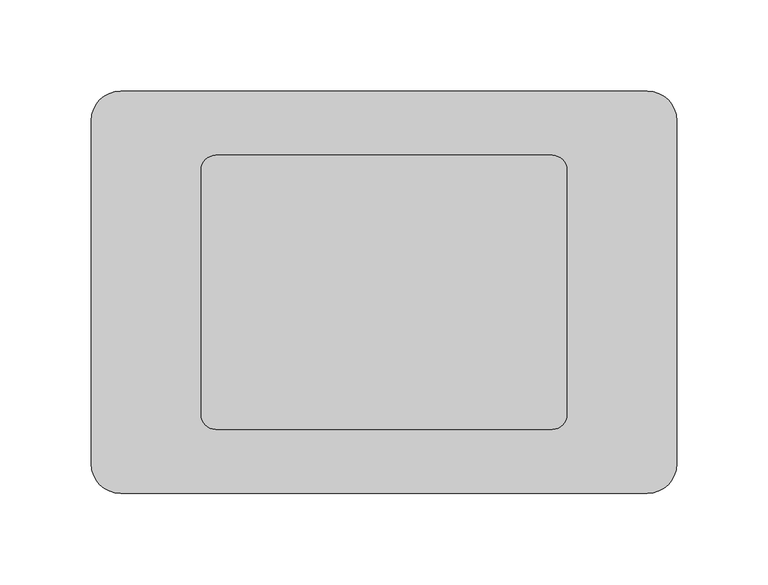
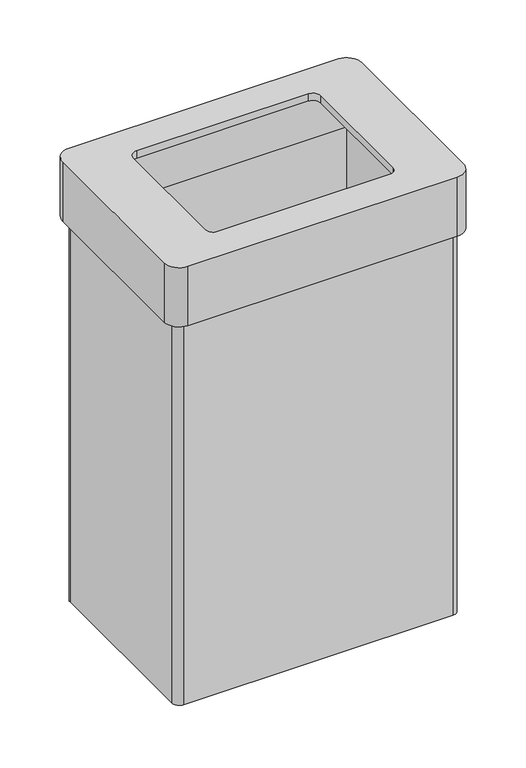
"""IFC4 building model written with IfcOpenShell, lengths in millimetres: furniture geometry."""

from ifc_helpers import new_model, si_unit, frame, origin, place, context, project, spatial, polyline, circle_curve, source, transform, mapped, element, save
from ifc_brep_helpers import plane_surface, cylinder_surface, revolved_surface, advanced_brep


def furniture_07c284a4(model_context):
    return source(origin(), model_context, "Body", "AdvancedBrep", [
        advanced_brep(
        [(144.0, 110.0, 500.0), (-144.0, 110.0, 500.0), (-160.0, 94.0, 500.0), (-160.0, -94.0, 500.0), (-144.0, -110.0, 500.0), (144.0, -110.0, 500.0), (160.0, -94.0, 500.0), (160.0, 94.0, 500.0), (92.0, 75.0, 500.0), (100.0, 67.0, 500.0), (100.0, -67.0, 500.0), (92.0, -75.0, 500.0), (-92.0, -75.0, 500.0), (-100.0, -67.0, 500.0), (-100.0, 67.0, 500.0), (-92.0, 75.0, 500.0), (144.0, 110.0, 433.0), (160.0, 94.0, 433.0), (160.0, -94.0, 433.0), (144.0, -110.0, 433.0), (-144.0, -110.0, 433.0), (-160.0, -94.0, 433.0), (-160.0, 94.0, 433.0), (-144.0, 110.0, 433.0), (144.0, 94.0, 433.0), (-144.0, 94.0, 433.0), (-144.0, -94.0, 433.0), (144.0, -94.0, 433.0), (144.0, -94.0, 492.0), (144.0, 94.0, 492.0), (-144.0, -94.0, 492.0), (-144.0, 94.0, 492.0), (92.0, 75.0, 492.0), (-92.0, 75.0, 492.0), (-100.0, 67.0, 492.0), (-100.0, -67.0, 492.0), (-92.0, -75.0, 492.0), (92.0, -75.0, 492.0), (100.0, -67.0, 492.0), (100.0, 67.0, 492.0)],
        [
            (0, 1),
            (1, 2, circle_curve(frame((-144.0, 94.0, 500.0), z_axis=(0.0, 0.0, 1.0), x_axis=(1.0, 0.0, 0.0)), 16.0)),
            (2, 3),
            (3, 4, circle_curve(frame((-144.0, -94.0, 500.0), z_axis=(0.0, 0.0, 1.0), x_axis=(1.0, 0.0, 0.0)), 16.0)),
            (4, 5),
            (5, 6, circle_curve(frame((144.0, -94.0, 500.0), z_axis=(0.0, 0.0, 1.0), x_axis=(1.0, 0.0, 0.0)), 16.0)),
            (6, 7),
            (7, 0, circle_curve(frame((144.0, 94.0, 500.0), z_axis=(0.0, 0.0, 1.0), x_axis=(1.0, 0.0, 0.0)), 16.0)),
            (8, 9, circle_curve(frame((92.0, 67.0, 500.0), z_axis=(0.0, 0.0, -1.0), x_axis=(1.0, 0.0, 0.0)), 8.0)),
            (9, 10),
            (10, 11, circle_curve(frame((92.0, -67.0, 500.0), z_axis=(0.0, 0.0, -1.0), x_axis=(1.0, 0.0, 0.0)), 8.0)),
            (11, 12),
            (12, 13, circle_curve(frame((-92.0, -67.0, 500.0), z_axis=(0.0, 0.0, -1.0), x_axis=(1.0, 0.0, 0.0)), 8.0)),
            (13, 14),
            (14, 15, circle_curve(frame((-92.0, 67.0, 500.0), z_axis=(0.0, 0.0, -1.0), x_axis=(1.0, 0.0, 0.0)), 8.0)),
            (15, 8),
            (16, 17, circle_curve(frame((144.0, 94.0, 433.0), z_axis=(0.0, 0.0, -1.0), x_axis=(1.0, 0.0, 0.0)), 16.0)),
            (17, 18),
            (18, 19, circle_curve(frame((144.0, -94.0, 433.0), z_axis=(0.0, 0.0, -1.0), x_axis=(1.0, 0.0, 0.0)), 16.0)),
            (19, 20),
            (20, 21, circle_curve(frame((-144.0, -94.0, 433.0), z_axis=(0.0, 0.0, -1.0), x_axis=(1.0, 0.0, 0.0)), 16.0)),
            (21, 22),
            (22, 23, circle_curve(frame((-144.0, 94.0, 433.0), z_axis=(0.0, 0.0, -1.0), x_axis=(1.0, 0.0, 0.0)), 16.0)),
            (23, 16),
            (24, 25),
            (25, 26),
            (26, 27),
            (27, 24),
            (0, 16),
            (23, 1),
            (22, 2),
            (21, 3),
            (20, 4),
            (19, 5),
            (18, 6),
            (17, 7),
            (27, 28),
            (28, 29),
            (29, 24),
            (26, 30),
            (30, 28),
            (25, 31),
            (31, 30),
            (29, 31),
            (32, 33),
            (33, 34, circle_curve(frame((-92.0, 67.0, 492.0), z_axis=(0.0, 0.0, 1.0), x_axis=(1.0, 0.0, 0.0)), 8.0)),
            (34, 35),
            (35, 36, circle_curve(frame((-92.0, -67.0, 492.0), z_axis=(0.0, 0.0, 1.0), x_axis=(1.0, 0.0, 0.0)), 8.0)),
            (36, 37),
            (37, 38, circle_curve(frame((92.0, -67.0, 492.0), z_axis=(0.0, 0.0, 1.0), x_axis=(1.0, 0.0, 0.0)), 8.0)),
            (38, 39),
            (39, 32, circle_curve(frame((92.0, 67.0, 492.0), z_axis=(0.0, 0.0, 1.0), x_axis=(1.0, 0.0, 0.0)), 8.0)),
            (8, 32),
            (39, 9),
            (38, 10),
            (37, 11),
            (36, 12),
            (35, 13),
            (34, 14),
            (33, 15),
        ],
        [
            plane_surface(frame((144.0, 110.0, 500.0), z_axis=(0.0, 0.0, 1.0), x_axis=(-1.0, 0.0, 0.0))),
            plane_surface(frame((144.0, 110.0, 433.0), z_axis=(0.0, 0.0, -1.0), x_axis=(1.0, 0.0, 0.0))),
            plane_surface(frame((144.0, 110.0, 500.0), z_axis=(0.0, 1.0, 0.0), x_axis=(0.0, 0.0, -1.0))),
            cylinder_surface(frame((-144.0, 94.0, 433.0), z_axis=(0.0, 0.0, 1.0), x_axis=(1.0, 0.0, 0.0)), 16.0),
            plane_surface(frame((-160.0, 94.0, 500.0), z_axis=(-1.0, 0.0, 0.0), x_axis=(0.0, 0.0, -1.0))),
            cylinder_surface(frame((-144.0, -94.0, 433.0), z_axis=(0.0, 0.0, 1.0), x_axis=(1.0, 0.0, 0.0)), 16.0),
            plane_surface(frame((-144.0, -110.0, 500.0), z_axis=(0.0, -1.0, 0.0), x_axis=(0.0, 0.0, -1.0))),
            cylinder_surface(frame((144.0, -94.0, 433.0), z_axis=(0.0, 0.0, 1.0), x_axis=(1.0, 0.0, 0.0)), 16.0),
            plane_surface(frame((160.0, -94.0, 500.0), z_axis=(1.0, 0.0, 0.0), x_axis=(0.0, 0.0, -1.0))),
            cylinder_surface(frame((144.0, 94.0, 433.0), z_axis=(0.0, 0.0, 1.0), x_axis=(1.0, 0.0, 0.0)), 16.0),
            plane_surface(frame((144.0, 94.0, 500.0), z_axis=(-1.0, 0.0, 0.0), x_axis=(0.0, 0.0, -1.0))),
            plane_surface(frame((144.0, -94.0, 500.0), z_axis=(0.0, 1.0, 0.0), x_axis=(0.0, 0.0, -1.0))),
            plane_surface(frame((-144.0, -94.0, 500.0), z_axis=(1.0, 0.0, 0.0), x_axis=(0.0, 0.0, -1.0))),
            plane_surface(frame((-144.0, 94.0, 500.0), z_axis=(0.0, -1.0, 0.0), x_axis=(0.0, 0.0, -1.0))),
            plane_surface(frame((-144.0, 94.0, 492.0), z_axis=(0.0, 0.0, -1.0), x_axis=(1.0, 0.0, 0.0))),
            revolved_surface(polyline([(100.0, 67.0, 492.0), (100.0, 67.0, 500.0)]), (92.0, 67.0, 500.0), (0.0, 0.0, -1.0)),
            plane_surface(frame((100.0, 67.0, 500.0), z_axis=(-1.0, 0.0, 0.0), x_axis=(0.0, 0.0, -1.0))),
            revolved_surface(polyline([(100.0, -67.0, 492.0), (100.0, -67.0, 500.0)]), (92.0, -67.0, 500.0), (0.0, 0.0, -1.0)),
            plane_surface(frame((92.0, -75.0, 500.0), z_axis=(0.0, 1.0, 0.0), x_axis=(0.0, 0.0, -1.0))),
            revolved_surface(polyline([(-84.0, -67.0, 492.0), (-84.0, -67.0, 500.0)]), (-92.0, -67.0, 500.0), (0.0, 0.0, -1.0)),
            plane_surface(frame((-100.0, -67.0, 500.0), z_axis=(1.0, 0.0, 0.0), x_axis=(0.0, 0.0, -1.0))),
            revolved_surface(polyline([(-84.0, 67.0, 492.0), (-84.0, 67.0, 500.0)]), (-92.0, 67.0, 500.0), (0.0, 0.0, -1.0)),
            plane_surface(frame((-92.0, 75.0, 500.0), z_axis=(0.0, -1.0, 0.0), x_axis=(0.0, 0.0, -1.0))),
        ],
        [
            (0, [[1, 2, 3, 4, 5, 6, 7, 8], [9, 10, 11, 12, 13, 14, 15, 16]]),
            (1, [[17, 18, 19, 20, 21, 22, 23, 24], [25, 26, 27, 28]]),
            (2, [[-1, 29, -24, 30]]),
            (3, [[-2, -30, -23, 31]]),
            (4, [[-3, -31, -22, 32]]),
            (5, [[-4, -32, -21, 33]]),
            (6, [[-5, -33, -20, 34]]),
            (7, [[-6, -34, -19, 35]]),
            (8, [[-7, -35, -18, 36]]),
            (9, [[-8, -36, -17, -29]]),
            (10, [[-28, 37, 38, 39]]),
            (11, [[-27, 40, 41, -37]]),
            (12, [[-26, 42, 43, -40]]),
            (13, [[-25, -39, 44, -42]]),
            (14, [[-38, -41, -43, -44], [45, 46, 47, 48, 49, 50, 51, 52]]),
            (15, [[-9, 53, -52, 54]]),
            (16, [[-10, -54, -51, 55]]),
            (17, [[-11, -55, -50, 56]]),
            (18, [[-12, -56, -49, 57]]),
            (19, [[-13, -57, -48, 58]]),
            (20, [[-14, -58, -47, 59]]),
            (21, [[-15, -59, -46, 60]]),
            (22, [[-16, -60, -45, -53]]),
        ],
    ),
        advanced_brep(
        [(144.0, -94.0, 8.0), (144.0, 94.0, 8.0), (-144.0, 94.0, 8.0), (-144.0, -94.0, 8.0), (144.0, 102.0, 0.0), (152.0, 94.0, 0.0), (152.0, -94.0, 0.0), (144.0, -102.0, 0.0), (-144.0, -102.0, 0.0), (-152.0, -94.0, 0.0), (-152.0, 94.0, 0.0), (-144.0, 102.0, 0.0), (144.0, 102.0, 433.0), (-144.0, 102.0, 433.0), (-152.0, 94.0, 433.0), (-152.0, -94.0, 433.0), (-144.0, -102.0, 433.0), (144.0, -102.0, 433.0), (152.0, -94.0, 433.0), (152.0, 94.0, 433.0), (144.0, 94.0, 433.0), (144.0, -94.0, 433.0), (-144.0, -94.0, 433.0), (-144.0, 94.0, 433.0)],
        [
            (0, 1),
            (1, 2),
            (2, 3),
            (3, 0),
            (4, 5, circle_curve(frame((144.0, 94.0, 0.0), z_axis=(0.0, 0.0, -1.0), x_axis=(1.0, 0.0, 0.0)), 8.0)),
            (5, 6),
            (6, 7, circle_curve(frame((144.0, -94.0, 0.0), z_axis=(0.0, 0.0, -1.0), x_axis=(1.0, 0.0, 0.0)), 8.0)),
            (7, 8),
            (8, 9, circle_curve(frame((-144.0, -94.0, 0.0), z_axis=(0.0, 0.0, -1.0), x_axis=(1.0, 0.0, 0.0)), 8.0)),
            (9, 10),
            (10, 11, circle_curve(frame((-144.0, 94.0, 0.0), z_axis=(0.0, 0.0, -1.0), x_axis=(1.0, 0.0, 0.0)), 8.0)),
            (11, 4),
            (12, 13),
            (13, 14, circle_curve(frame((-144.0, 94.0, 433.0), z_axis=(0.0, 0.0, 1.0), x_axis=(1.0, 0.0, 0.0)), 8.0)),
            (14, 15),
            (15, 16, circle_curve(frame((-144.0, -94.0, 433.0), z_axis=(0.0, 0.0, 1.0), x_axis=(1.0, 0.0, 0.0)), 8.0)),
            (16, 17),
            (17, 18, circle_curve(frame((144.0, -94.0, 433.0), z_axis=(0.0, 0.0, 1.0), x_axis=(1.0, 0.0, 0.0)), 8.0)),
            (18, 19),
            (19, 12, circle_curve(frame((144.0, 94.0, 433.0), z_axis=(0.0, 0.0, 1.0), x_axis=(1.0, 0.0, 0.0)), 8.0)),
            (20, 21),
            (21, 22),
            (22, 23),
            (23, 20),
            (20, 1),
            (0, 21),
            (3, 22),
            (2, 23),
            (12, 4),
            (11, 13),
            (10, 14),
            (9, 15),
            (8, 16),
            (7, 17),
            (6, 18),
            (5, 19),
        ],
        [
            plane_surface(frame((-144.0, 94.0, 8.0), z_axis=(0.0, 0.0, 1.0), x_axis=(-1.0, 0.0, 0.0))),
            plane_surface(frame((-144.0, 94.0, 0.0), z_axis=(0.0, 0.0, -1.0), x_axis=(1.0, 0.0, 0.0))),
            plane_surface(frame((144.0, 94.0, 433.0), z_axis=(0.0, 0.0, 1.0), x_axis=(0.0, -1.0, 0.0))),
            plane_surface(frame((144.0, 94.0, 433.0), z_axis=(-1.0, 0.0, 0.0), x_axis=(0.0, 0.0, -1.0))),
            plane_surface(frame((144.0, -94.0, 433.0), z_axis=(0.0, 1.0, 0.0), x_axis=(0.0, 0.0, -1.0))),
            plane_surface(frame((-144.0, -94.0, 433.0), z_axis=(1.0, 0.0, 0.0), x_axis=(0.0, 0.0, -1.0))),
            plane_surface(frame((-144.0, 94.0, 433.0), z_axis=(0.0, -1.0, 0.0), x_axis=(0.0, 0.0, -1.0))),
            plane_surface(frame((144.0, 102.0, 433.0), z_axis=(0.0, 1.0, 0.0), x_axis=(0.0, 0.0, -1.0))),
            cylinder_surface(frame((-144.0, 94.0, 0.0), z_axis=(0.0, 0.0, 1.0), x_axis=(1.0, 0.0, 0.0)), 8.0),
            plane_surface(frame((-152.0, 94.0, 433.0), z_axis=(-1.0, 0.0, 0.0), x_axis=(0.0, 0.0, -1.0))),
            cylinder_surface(frame((-144.0, -94.0, 0.0), z_axis=(0.0, 0.0, 1.0), x_axis=(1.0, 0.0, 0.0)), 8.0),
            plane_surface(frame((-144.0, -102.0, 433.0), z_axis=(0.0, -1.0, 0.0), x_axis=(0.0, 0.0, -1.0))),
            cylinder_surface(frame((144.0, -94.0, 0.0), z_axis=(0.0, 0.0, 1.0), x_axis=(1.0, 0.0, 0.0)), 8.0),
            plane_surface(frame((152.0, -94.0, 433.0), z_axis=(1.0, 0.0, 0.0), x_axis=(0.0, 0.0, -1.0))),
            cylinder_surface(frame((144.0, 94.0, 0.0), z_axis=(0.0, 0.0, 1.0), x_axis=(1.0, 0.0, 0.0)), 8.0),
        ],
        [
            (0, [[1, 2, 3, 4]]),
            (1, [[5, 6, 7, 8, 9, 10, 11, 12]]),
            (2, [[13, 14, 15, 16, 17, 18, 19, 20], [21, 22, 23, 24]]),
            (3, [[-21, 25, -1, 26]]),
            (4, [[-22, -26, -4, 27]]),
            (5, [[-23, -27, -3, 28]]),
            (6, [[-24, -28, -2, -25]]),
            (7, [[-13, 29, -12, 30]]),
            (8, [[-14, -30, -11, 31]]),
            (9, [[-15, -31, -10, 32]]),
            (10, [[-16, -32, -9, 33]]),
            (11, [[-17, -33, -8, 34]]),
            (12, [[-18, -34, -7, 35]]),
            (13, [[-19, -35, -6, 36]]),
            (14, [[-20, -36, -5, -29]]),
        ],
    ),
    ])


if __name__ == "__main__":
    model = new_model("IFC4")
    model_context = context("Model", 3, world=origin())
    ifc_project = project(units=[si_unit("LENGTHUNIT", "METRE", prefix="MILLI")], contexts=[model_context])
    site = spatial("IfcSite", under=ifc_project)
    building = spatial("IfcBuilding", under=site)
    placement = place(None, origin())
    furniture_shape = furniture_07c284a4(model_context)
    element("IfcFurniture", 1, at=placement, inside=building, context=model_context, shape_type="MappedRepresentation", body=[
        mapped(furniture_shape, transform((0.0, 0.0, 0.0), x_axis=(1.0, 0.0, 0.0), y_axis=(0.0, 1.0, 0.0), z_axis=(0.0, 0.0, 1.0))),
    ])
    save(model, "model.ifc")
